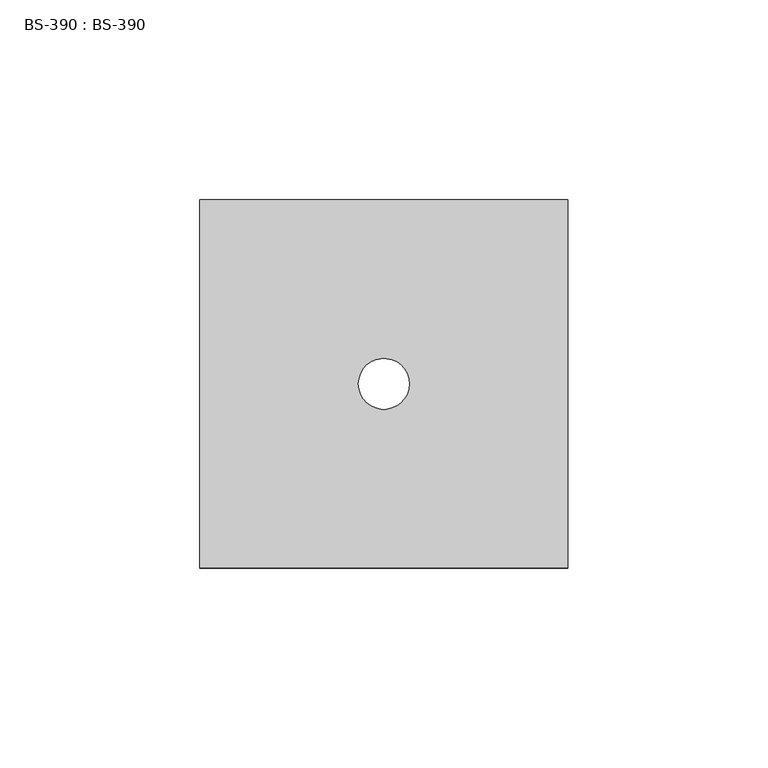
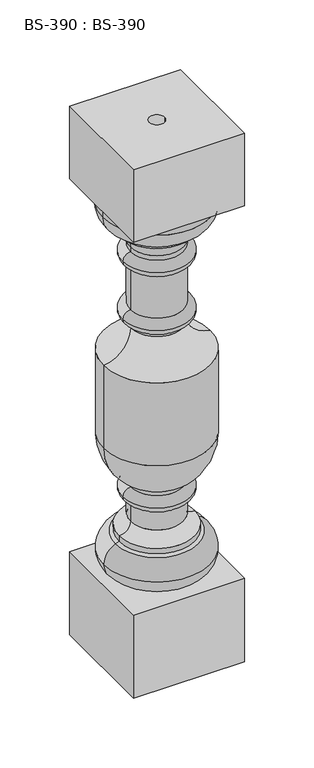
"""IFC4 building model written with IfcOpenShell, lengths in millimetres: proxy geometry, BS-390 : BS-390."""

from ifc_helpers import new_model, si_unit, point, frame, origin, place, context, project, spatial, polyline, circle_curve, ellipse_curve, trimmed, source, transform, mapped, element, save
from ifc_brep_helpers import plane_surface, cylinder_surface, revolved_surface, advanced_brep


def bs_390_bs_390_c6e430ef(model_context):
    return source(origin(), model_context, "Body", "AdvancedBrep", [
        advanced_brep(
        [(46.0375, -46.0375, 463.55), (46.0375, 46.0375, 463.55), (-46.0375, 46.0375, 463.55), (-46.0375, -46.0375, 463.55), (-6.35, 0.0, 463.55), (6.35, 0.0, 463.55), (46.0375, -46.0375, 400.05), (-46.0375, -46.0375, 400.05), (-46.0375, 46.0375, 400.05), (46.0375, 46.0375, 400.05), (45.0820387, 0.0, 400.05), (-45.0820387, 0.0, 400.05), (6.35, 0.0, 0.0), (-6.35, 0.0, 0.0), (-30.0007887, 0.0, 371.475), (30.0007887, 0.0, 371.475), (22.0632887, 0.0, 359.7017849), (-22.0632887, 0.0, 359.7017849), (-30.0007887, 0.0, 374.65), (30.0007887, 0.0, 374.65), (-45.0820387, 0.0, 393.7), (45.0820387, 0.0, 393.7), (-44.2882887, 0.0, 88.9), (44.2882887, 0.0, 88.9), (28.4132887, 0.0, 73.025), (-28.4132887, 0.0, 73.025), (-34.5190579, 0.0, 103.5538462), (34.5190579, 0.0, 103.5538462), (-31.5882887, 0.0, 104.775), (31.5882887, 0.0, 104.775), (-31.5882887, 0.0, 109.5444164), (31.5882887, 0.0, 109.5444164), (-22.0632887, 0.0, 119.0694164), (22.0632887, 0.0, 119.0694164), (-22.0632887, 0.0, 136.525), (22.0632887, 0.0, 136.525), (-28.4132887, 0.0, 142.875), (28.4132887, 0.0, 142.875), (-22.0632887, 0.0, 149.225), (22.0632887, 0.0, 149.225), (-22.0632887, 0.0, 152.4), (22.0632887, 0.0, 152.4), (-44.2882887, 0.0, 190.8948292), (44.2882887, 0.0, 190.8948292), (-44.2882887, 0.0, 263.525), (44.2882887, 0.0, 263.525), (-22.0632887, 0.0, 288.7257812), (22.0632887, 0.0, 288.7257812), (-22.0632887, 0.0, 292.1), (22.0632887, 0.0, 292.1), (-28.4132887, 0.0, 298.45), (28.4132887, 0.0, 298.45), (-22.0632887, 0.0, 304.8), (22.0632887, 0.0, 304.8), (-22.0632887, 0.0, 342.9), (22.0632887, 0.0, 342.9), (-28.4132887, 0.0, 349.25), (28.4132887, 0.0, 349.25), (-22.0632887, 0.0, 355.6), (22.0632887, 0.0, 355.6), (46.0375, -46.0375, 73.025), (46.0375, 46.0375, 73.025), (-46.0375, 46.0375, 73.025), (-46.0375, -46.0375, 73.025), (46.0375, -46.0375, 0.0), (-46.0375, -46.0375, 0.0), (-46.0375, 46.0375, 0.0), (46.0375, 46.0375, 0.0)],
        [
            (0, 1),
            (1, 2),
            (2, 3),
            (3, 0),
            (4, 5, circle_curve(frame((0.0, 0.0, 463.55), z_axis=(0.0, 0.0, -1.0), x_axis=(1.0, 0.0, 0.0)), 6.35)),
            (5, 4, circle_curve(frame((0.0, 0.0, 463.55), z_axis=(0.0, 0.0, -1.0), x_axis=(1.0, 0.0, 0.0)), 6.35)),
            (6, 7),
            (7, 8),
            (8, 9),
            (9, 6),
            (10, 11, circle_curve(frame((0.0, 0.0, 400.05), z_axis=(0.0, 0.0, 1.0), x_axis=(1.0, 0.0, 0.0)), 45.0820387)),
            (11, 10, circle_curve(frame((0.0, 0.0, 400.05), z_axis=(0.0, 0.0, 1.0), x_axis=(1.0, 0.0, 0.0)), 45.0820387)),
            (0, 6),
            (9, 1),
            (8, 2),
            (7, 3),
            (12, 5),
            (4, 13),
            (13, 12, circle_curve(frame((0.0, 0.0, 0.0), z_axis=(0.0, 0.0, -1.0), x_axis=(1.0, 0.0, 0.0)), 6.35)),
            (12, 13, circle_curve(frame((0.0, 0.0, 0.0), z_axis=(0.0, 0.0, -1.0), x_axis=(1.0, 0.0, 0.0)), 6.35)),
            (14, 15, circle_curve(frame((0.0, 0.0, 371.475), z_axis=(0.0, 0.0, -1.0), x_axis=(1.0, 0.0, 0.0)), 30.0007887)),
            (15, 16, circle_curve(frame((34.7632887, 0.0, 359.7017849), z_axis=(0.0, -1.0, 0.0), x_axis=(1.0, 0.0, 0.0)), 12.7)),
            (16, 17, circle_curve(frame((0.0, 0.0, 359.7017849), z_axis=(0.0, 0.0, 1.0), x_axis=(1.0, 0.0, 0.0)), 22.0632887)),
            (17, 14, circle_curve(frame((-34.7632887, 0.0, 359.7017849), z_axis=(0.0, -1.0, 0.0), x_axis=(-1.0, 0.0, 0.0)), 12.7)),
            (15, 14, circle_curve(frame((0.0, 0.0, 371.475), z_axis=(0.0, 0.0, -1.0), x_axis=(1.0, 0.0, 0.0)), 30.0007887)),
            (17, 16, circle_curve(frame((0.0, 0.0, 359.7017849), z_axis=(0.0, 0.0, 1.0), x_axis=(1.0, 0.0, 0.0)), 22.0632887)),
            (14, 18),
            (18, 19, circle_curve(frame((0.0, 0.0, 374.65), z_axis=(0.0, 0.0, -1.0), x_axis=(1.0, 0.0, 0.0)), 30.0007887)),
            (19, 15),
            (19, 18, circle_curve(frame((0.0, 0.0, 374.65), z_axis=(0.0, 0.0, -1.0), x_axis=(1.0, 0.0, 0.0)), 30.0007887)),
            (18, 20, circle_curve(frame((-25.5098347, 0.0, 393.7), z_axis=(0.0, 1.0, 0.0), x_axis=(-1.0, 0.0, 0.0)), 19.5722039)),
            (20, 21, circle_curve(frame((0.0, 0.0, 393.7), z_axis=(0.0, 0.0, -1.0), x_axis=(1.0, 0.0, 0.0)), 45.0820387)),
            (21, 19, circle_curve(frame((25.5098347, 0.0, 393.7), z_axis=(0.0, 1.0, 0.0), x_axis=(1.0, 0.0, 0.0)), 19.5722039)),
            (21, 20, circle_curve(frame((0.0, 0.0, 393.7), z_axis=(0.0, 0.0, -1.0), x_axis=(1.0, 0.0, 0.0)), 45.0820387)),
            (20, 11),
            (10, 21),
            (22, 23, circle_curve(frame((0.0, 0.0, 88.9), z_axis=(0.0, 0.0, -1.0), x_axis=(1.0, 0.0, 0.0)), 44.2882887)),
            (23, 24, circle_curve(frame((28.4132887, 0.0, 88.9), z_axis=(0.0, 1.0, 0.0), x_axis=(0.0, 0.0, -1.0)), 15.875)),
            (24, 25, circle_curve(frame((0.0, 0.0, 73.025), z_axis=(0.0, 0.0, 1.0), x_axis=(1.0, 0.0, 0.0)), 28.4132887)),
            (25, 22, circle_curve(frame((-28.4132887, 0.0, 88.9), z_axis=(0.0, 1.0, 0.0), x_axis=(0.0, 0.0, -1.0)), 15.875)),
            (23, 22, circle_curve(frame((0.0, 0.0, 88.9), z_axis=(0.0, 0.0, -1.0), x_axis=(1.0, 0.0, 0.0)), 44.2882887)),
            (25, 24, circle_curve(frame((0.0, 0.0, 73.025), z_axis=(0.0, 0.0, 1.0), x_axis=(1.0, 0.0, 0.0)), 28.4132887)),
            (22, 26, circle_curve(frame((-28.4132887, 0.0, 88.9), z_axis=(0.0, 1.0, 0.0), x_axis=(-1.0, 0.0, 0.0)), 15.875)),
            (26, 27, circle_curve(frame((0.0, 0.0, 103.5538462), z_axis=(0.0, 0.0, -1.0), x_axis=(1.0, 0.0, 0.0)), 34.5190579)),
            (27, 23, circle_curve(frame((28.4132887, 0.0, 88.9), z_axis=(0.0, 1.0, 0.0), x_axis=(1.0, 0.0, 0.0)), 15.875)),
            (27, 26, circle_curve(frame((0.0, 0.0, 103.5538462), z_axis=(0.0, 0.0, -1.0), x_axis=(1.0, 0.0, 0.0)), 34.5190579)),
            (26, 28),
            (28, 29, circle_curve(frame((0.0, 0.0, 104.775), z_axis=(0.0, 0.0, -1.0), x_axis=(1.0, 0.0, 0.0)), 31.5882887)),
            (29, 27),
            (29, 28, circle_curve(frame((0.0, 0.0, 104.775), z_axis=(0.0, 0.0, -1.0), x_axis=(1.0, 0.0, 0.0)), 31.5882887)),
            (28, 30),
            (30, 31, circle_curve(frame((0.0, 0.0, 109.5444164), z_axis=(0.0, 0.0, -1.0), x_axis=(1.0, 0.0, 0.0)), 31.5882887)),
            (31, 29),
            (31, 30, circle_curve(frame((0.0, 0.0, 109.5444164), z_axis=(0.0, 0.0, -1.0), x_axis=(1.0, 0.0, 0.0)), 31.5882887)),
            (30, 32, circle_curve(frame((-31.5882887, 0.0, 119.0694164), z_axis=(0.0, -1.0, 0.0), x_axis=(-1.0, 0.0, 0.0)), 9.525)),
            (32, 33, circle_curve(frame((0.0, 0.0, 119.0694164), z_axis=(0.0, 0.0, -1.0), x_axis=(1.0, 0.0, 0.0)), 22.0632887)),
            (33, 31, circle_curve(frame((31.5882887, 0.0, 119.0694164), z_axis=(0.0, -1.0, 0.0), x_axis=(1.0, 0.0, 0.0)), 9.525)),
            (33, 32, circle_curve(frame((0.0, 0.0, 119.0694164), z_axis=(0.0, 0.0, -1.0), x_axis=(1.0, 0.0, 0.0)), 22.0632887)),
            (32, 34),
            (34, 35, circle_curve(frame((0.0, 0.0, 136.525), z_axis=(0.0, 0.0, -1.0), x_axis=(1.0, 0.0, 0.0)), 22.0632887)),
            (35, 33),
            (35, 34, circle_curve(frame((0.0, 0.0, 136.525), z_axis=(0.0, 0.0, -1.0), x_axis=(1.0, 0.0, 0.0)), 22.0632887)),
            (34, 36, circle_curve(frame((-22.0632887, 0.0, 142.875), z_axis=(0.0, 1.0, 0.0), x_axis=(0.0, 0.0, -1.0)), 6.35)),
            (36, 37, circle_curve(frame((0.0, 0.0, 142.875), z_axis=(0.0, 0.0, -1.0), x_axis=(1.0, 0.0, 0.0)), 28.4132887)),
            (37, 35, circle_curve(frame((22.0632887, 0.0, 142.875), z_axis=(0.0, 1.0, 0.0), x_axis=(0.0, 0.0, -1.0)), 6.35)),
            (37, 36, circle_curve(frame((0.0, 0.0, 142.875), z_axis=(0.0, 0.0, -1.0), x_axis=(1.0, 0.0, 0.0)), 28.4132887)),
            (36, 38, circle_curve(frame((-22.0632887, 0.0, 142.875), z_axis=(0.0, 1.0, 0.0), x_axis=(-1.0, 0.0, 0.0)), 6.35)),
            (38, 39, circle_curve(frame((0.0, 0.0, 149.225), z_axis=(0.0, 0.0, -1.0), x_axis=(1.0, 0.0, 0.0)), 22.0632887)),
            (39, 37, circle_curve(frame((22.0632887, 0.0, 142.875), z_axis=(0.0, 1.0, 0.0), x_axis=(1.0, 0.0, 0.0)), 6.35)),
            (39, 38, circle_curve(frame((0.0, 0.0, 149.225), z_axis=(0.0, 0.0, -1.0), x_axis=(1.0, 0.0, 0.0)), 22.0632887)),
            (38, 40),
            (40, 41, circle_curve(frame((0.0, 0.0, 152.4), z_axis=(0.0, 0.0, -1.0), x_axis=(1.0, 0.0, 0.0)), 22.0632887)),
            (41, 39),
            (41, 40, circle_curve(frame((0.0, 0.0, 152.4), z_axis=(0.0, 0.0, -1.0), x_axis=(1.0, 0.0, 0.0)), 22.0632887)),
            (40, 42, circle_curve(frame((0.1617113, 0.0, 190.8948292), z_axis=(0.0, 1.0, 0.0), x_axis=(-1.0, 0.0, 0.0)), 44.45)),
            (42, 43, circle_curve(frame((0.0, 0.0, 190.8948292), z_axis=(0.0, 0.0, -1.0), x_axis=(1.0, 0.0, 0.0)), 44.2882887)),
            (43, 41, circle_curve(frame((-0.1617113, 0.0, 190.8948292), z_axis=(0.0, 1.0, 0.0), x_axis=(1.0, 0.0, 0.0)), 44.45)),
            (43, 42, circle_curve(frame((0.0, 0.0, 190.8948292), z_axis=(0.0, 0.0, -1.0), x_axis=(1.0, 0.0, 0.0)), 44.2882887)),
            (42, 44),
            (44, 45, circle_curve(frame((0.0, 0.0, 263.525), z_axis=(0.0, 0.0, -1.0), x_axis=(1.0, 0.0, 0.0)), 44.2882887)),
            (45, 43),
            (45, 44, circle_curve(frame((0.0, 0.0, 263.525), z_axis=(0.0, 0.0, -1.0), x_axis=(1.0, 0.0, 0.0)), 44.2882887)),
            (44, 46, circle_curve(frame((-47.4632887, 0.0, 288.7257812), z_axis=(0.0, -1.0, 0.0), x_axis=(1.0, 0.0, 0.0)), 25.4)),
            (46, 47, circle_curve(frame((0.0, 0.0, 288.7257812), z_axis=(0.0, 0.0, -1.0), x_axis=(1.0, 0.0, 0.0)), 22.0632887)),
            (47, 45, circle_curve(frame((47.4632887, 0.0, 288.7257812), z_axis=(0.0, -1.0, 0.0), x_axis=(-1.0, 0.0, 0.0)), 25.4)),
            (47, 46, circle_curve(frame((0.0, 0.0, 288.7257812), z_axis=(0.0, 0.0, -1.0), x_axis=(1.0, 0.0, 0.0)), 22.0632887)),
            (46, 48),
            (48, 49, circle_curve(frame((0.0, 0.0, 292.1), z_axis=(0.0, 0.0, -1.0), x_axis=(1.0, 0.0, 0.0)), 22.0632887)),
            (49, 47),
            (49, 48, circle_curve(frame((0.0, 0.0, 292.1), z_axis=(0.0, 0.0, -1.0), x_axis=(1.0, 0.0, 0.0)), 22.0632887)),
            (48, 50, circle_curve(frame((-22.0632887, 0.0, 298.45), z_axis=(0.0, 1.0, 0.0), x_axis=(0.0, 0.0, -1.0)), 6.35)),
            (50, 51, circle_curve(frame((0.0, 0.0, 298.45), z_axis=(0.0, 0.0, -1.0), x_axis=(1.0, 0.0, 0.0)), 28.4132887)),
            (51, 49, circle_curve(frame((22.0632887, 0.0, 298.45), z_axis=(0.0, 1.0, 0.0), x_axis=(0.0, 0.0, -1.0)), 6.35)),
            (51, 50, circle_curve(frame((0.0, 0.0, 298.45), z_axis=(0.0, 0.0, -1.0), x_axis=(1.0, 0.0, 0.0)), 28.4132887)),
            (50, 52, circle_curve(frame((-22.0632887, 0.0, 298.45), z_axis=(0.0, 1.0, 0.0), x_axis=(-1.0, 0.0, 0.0)), 6.35)),
            (52, 53, circle_curve(frame((0.0, 0.0, 304.8), z_axis=(0.0, 0.0, -1.0), x_axis=(1.0, 0.0, 0.0)), 22.0632887)),
            (53, 51, circle_curve(frame((22.0632887, 0.0, 298.45), z_axis=(0.0, 1.0, 0.0), x_axis=(1.0, 0.0, 0.0)), 6.35)),
            (53, 52, circle_curve(frame((0.0, 0.0, 304.8), z_axis=(0.0, 0.0, -1.0), x_axis=(1.0, 0.0, 0.0)), 22.0632887)),
            (52, 54),
            (54, 55, circle_curve(frame((0.0, 0.0, 342.9), z_axis=(0.0, 0.0, -1.0), x_axis=(1.0, 0.0, 0.0)), 22.0632887)),
            (55, 53),
            (55, 54, circle_curve(frame((0.0, 0.0, 342.9), z_axis=(0.0, 0.0, -1.0), x_axis=(1.0, 0.0, 0.0)), 22.0632887)),
            (54, 56, circle_curve(frame((-22.0632887, 0.0, 349.25), z_axis=(0.0, 1.0, 0.0), x_axis=(0.0, 0.0, -1.0)), 6.35)),
            (56, 57, circle_curve(frame((0.0, 0.0, 349.25), z_axis=(0.0, 0.0, -1.0), x_axis=(1.0, 0.0, 0.0)), 28.4132887)),
            (57, 55, circle_curve(frame((22.0632887, 0.0, 349.25), z_axis=(0.0, 1.0, 0.0), x_axis=(0.0, 0.0, -1.0)), 6.35)),
            (57, 56, circle_curve(frame((0.0, 0.0, 349.25), z_axis=(0.0, 0.0, -1.0), x_axis=(1.0, 0.0, 0.0)), 28.4132887)),
            (56, 58, circle_curve(frame((-22.0632887, 0.0, 349.25), z_axis=(0.0, 1.0, 0.0), x_axis=(-1.0, 0.0, 0.0)), 6.35)),
            (58, 59, circle_curve(frame((0.0, 0.0, 355.6), z_axis=(0.0, 0.0, -1.0), x_axis=(1.0, 0.0, 0.0)), 22.0632887)),
            (59, 57, circle_curve(frame((22.0632887, 0.0, 349.25), z_axis=(0.0, 1.0, 0.0), x_axis=(1.0, 0.0, 0.0)), 6.35)),
            (59, 58, circle_curve(frame((0.0, 0.0, 355.6), z_axis=(0.0, 0.0, -1.0), x_axis=(1.0, 0.0, 0.0)), 22.0632887)),
            (16, 59),
            (58, 17),
            (60, 61),
            (61, 62),
            (62, 63),
            (63, 60),
            (64, 65),
            (65, 66),
            (66, 67),
            (67, 64),
            (60, 64),
            (67, 61),
            (66, 62),
            (65, 63),
        ],
        [
            plane_surface(frame((46.0375, -98.9522207, 463.55), z_axis=(0.0, 0.0, 1.0), x_axis=(0.0, 1.0, 0.0))),
            plane_surface(frame((46.0375, -98.9522207, 400.05), z_axis=(0.0, 0.0, -1.0), x_axis=(0.0, -1.0, 0.0))),
            plane_surface(frame((46.0375, -46.0375, 463.55), z_axis=(1.0, 0.0, 0.0), x_axis=(0.0, 0.0, -1.0))),
            plane_surface(frame((46.0375, 46.0375, 463.55), z_axis=(0.0, 1.0, 0.0), x_axis=(0.0, 0.0, -1.0))),
            plane_surface(frame((-46.0375, 46.0375, 463.55), z_axis=(-1.0, 0.0, 0.0), x_axis=(0.0, 0.0, -1.0))),
            plane_surface(frame((-46.0375, -46.0375, 463.55), z_axis=(0.0, -1.0, 0.0), x_axis=(0.0, 0.0, -1.0))),
            revolved_surface(polyline([(6.35, 0.0, 0.0), (6.35, 0.0, 463.55)]), (0.0, 0.0, 463.55), (0.0, 0.0, -1.0)),
            revolved_surface(trimmed(ellipse_curve(frame((34.7632887, 0.0, 359.7017849), z_axis=(0.0, 1.0, 0.0), x_axis=(1.0, 0.0, 0.0)), 12.7, 12.7), [point((22.0632887, 0.0, 359.7017849))], [point((30.0007887, 0.0, 371.475))], True, "CARTESIAN"), (0.0, 0.0, 73.025), (0.0, 0.0, 1.0)),
            cylinder_surface(frame((0.0, 0.0, 73.025), z_axis=(0.0, 0.0, 1.0), x_axis=(1.0, 0.0, 0.0)), 30.0007887),
            revolved_surface(trimmed(ellipse_curve(frame((25.5098347, 0.0, 393.7), z_axis=(0.0, -1.0, 0.0), x_axis=(1.0, 0.0, 0.0)), 19.5722039, 19.5722039), [point((30.0007887, 0.0, 374.65))], [point((45.0820387, 0.0, 393.7))], True, "CARTESIAN"), (0.0, 0.0, 73.025), (0.0, 0.0, 1.0)),
            cylinder_surface(frame((0.0, 0.0, 73.025), z_axis=(0.0, 0.0, 1.0), x_axis=(1.0, 0.0, 0.0)), 45.0820387),
            revolved_surface(trimmed(ellipse_curve(frame((28.4132887, 0.0, 88.9), z_axis=(0.0, -1.0, 0.0), x_axis=(0.0, 0.0, -1.0)), 15.875, 15.875), [point((28.4132887, 0.0, 73.025))], [point((44.2882887, 0.0, 88.9))], True, "CARTESIAN"), (0.0, 0.0, 73.025), (0.0, 0.0, 1.0)),
            revolved_surface(trimmed(ellipse_curve(frame((28.4132887, 0.0, 88.9), z_axis=(0.0, -1.0, 0.0), x_axis=(1.0, 0.0, 0.0)), 15.875, 15.875), [point((44.2882887, 0.0, 88.9))], [point((34.5190579, 0.0, 103.5538462))], True, "CARTESIAN"), (0.0, 0.0, 73.025), (0.0, 0.0, 1.0)),
            revolved_surface(polyline([(34.5190579, 0.0, 103.5538462), (31.5882887, 0.0, 104.775)]), (0.0, 0.0, 73.025), (0.0, 0.0, 1.0)),
            cylinder_surface(frame((0.0, 0.0, 73.025), z_axis=(0.0, 0.0, 1.0), x_axis=(1.0, 0.0, 0.0)), 31.5882887),
            revolved_surface(trimmed(ellipse_curve(frame((31.5882887, 0.0, 119.0694164), z_axis=(0.0, 1.0, 0.0), x_axis=(1.0, 0.0, 0.0)), 9.525, 9.525), [point((31.5882887, 0.0, 109.5444164))], [point((22.0632887, 0.0, 119.0694164))], True, "CARTESIAN"), (0.0, 0.0, 73.025), (0.0, 0.0, 1.0)),
            cylinder_surface(frame((0.0, 0.0, 73.025), z_axis=(0.0, 0.0, 1.0), x_axis=(1.0, 0.0, 0.0)), 22.0632887),
            revolved_surface(trimmed(ellipse_curve(frame((22.0632887, 0.0, 142.875), z_axis=(0.0, -1.0, 0.0), x_axis=(0.0, 0.0, -1.0)), 6.35, 6.35), [point((22.0632887, 0.0, 136.525))], [point((28.4132887, 0.0, 142.875))], True, "CARTESIAN"), (0.0, 0.0, 73.025), (0.0, 0.0, 1.0)),
            revolved_surface(trimmed(ellipse_curve(frame((22.0632887, 0.0, 142.875), z_axis=(0.0, -1.0, 0.0), x_axis=(1.0, 0.0, 0.0)), 6.35, 6.35), [point((28.4132887, 0.0, 142.875))], [point((22.0632887, 0.0, 149.225))], True, "CARTESIAN"), (0.0, 0.0, 73.025), (0.0, 0.0, 1.0)),
            revolved_surface(trimmed(ellipse_curve(frame((-0.1617113, 0.0, 190.8948292), z_axis=(0.0, -1.0, 0.0), x_axis=(1.0, 0.0, 0.0)), 44.45, 44.45), [point((22.0632887, 0.0, 152.4))], [point((44.2882887, 0.0, 190.8948292))], True, "CARTESIAN"), (0.0, 0.0, 73.025), (0.0, 0.0, 1.0)),
            cylinder_surface(frame((0.0, 0.0, 73.025), z_axis=(0.0, 0.0, 1.0), x_axis=(1.0, 0.0, 0.0)), 44.2882887),
            revolved_surface(trimmed(ellipse_curve(frame((47.4632887, 0.0, 288.7257812), z_axis=(0.0, 1.0, 0.0), x_axis=(-1.0, 0.0, 0.0)), 25.4, 25.4), [point((44.2882887, 0.0, 263.525))], [point((22.0632887, 0.0, 288.7257812))], True, "CARTESIAN"), (0.0, 0.0, 73.025), (0.0, 0.0, 1.0)),
            revolved_surface(trimmed(ellipse_curve(frame((22.0632887, 0.0, 298.45), z_axis=(0.0, -1.0, 0.0), x_axis=(0.0, 0.0, -1.0)), 6.35, 6.35), [point((22.0632887, 0.0, 292.1))], [point((28.4132887, 0.0, 298.45))], True, "CARTESIAN"), (0.0, 0.0, 73.025), (0.0, 0.0, 1.0)),
            revolved_surface(trimmed(ellipse_curve(frame((22.0632887, 0.0, 298.45), z_axis=(0.0, -1.0, 0.0), x_axis=(1.0, 0.0, 0.0)), 6.35, 6.35), [point((28.4132887, 0.0, 298.45))], [point((22.0632887, 0.0, 304.8))], True, "CARTESIAN"), (0.0, 0.0, 73.025), (0.0, 0.0, 1.0)),
            revolved_surface(trimmed(ellipse_curve(frame((22.0632887, 0.0, 349.25), z_axis=(0.0, -1.0, 0.0), x_axis=(0.0, 0.0, -1.0)), 6.35, 6.35), [point((22.0632887, 0.0, 342.9))], [point((28.4132887, 0.0, 349.25))], True, "CARTESIAN"), (0.0, 0.0, 73.025), (0.0, 0.0, 1.0)),
            revolved_surface(trimmed(ellipse_curve(frame((22.0632887, 0.0, 349.25), z_axis=(0.0, -1.0, 0.0), x_axis=(1.0, 0.0, 0.0)), 6.35, 6.35), [point((28.4132887, 0.0, 349.25))], [point((22.0632887, 0.0, 355.6))], True, "CARTESIAN"), (0.0, 0.0, 73.025), (0.0, 0.0, 1.0)),
            plane_surface(frame((46.0375, -46.0375, 73.025), z_axis=(0.0, 0.0, 1.0), x_axis=(0.0, 1.0, 0.0))),
            plane_surface(frame((46.0375, -46.0375, 0.0), z_axis=(0.0, 0.0, -1.0), x_axis=(0.0, -1.0, 0.0))),
            plane_surface(frame((46.0375, -46.0375, 73.025), z_axis=(1.0, 0.0, 0.0), x_axis=(0.0, 0.0, -1.0))),
            plane_surface(frame((46.0375, 46.0375, 73.025), z_axis=(0.0, 1.0, 0.0), x_axis=(0.0, 0.0, -1.0))),
            plane_surface(frame((-46.0375, 46.0375, 73.025), z_axis=(-1.0, 0.0, 0.0), x_axis=(0.0, 0.0, -1.0))),
            plane_surface(frame((-46.0375, -46.0375, 73.025), z_axis=(0.0, -1.0, 0.0), x_axis=(0.0, 0.0, -1.0))),
        ],
        [
            (0, [[1, 2, 3, 4], [5, 6]]),
            (1, [[7, 8, 9, 10], [11, 12]]),
            (2, [[-1, 13, -10, 14]]),
            (3, [[-2, -14, -9, 15]]),
            (4, [[-3, -15, -8, 16]]),
            (5, [[-4, -16, -7, -13]]),
            (6, [[17, -5, 18, 19]]),
            (6, [[-17, 20, -18, -6]]),
            (7, [[21, 22, 23, 24]]),
            (7, [[-22, 25, -24, 26]]),
            (8, [[-21, 27, 28, 29]]),
            (8, [[-25, -29, 30, -27]]),
            (9, [[-28, 31, 32, 33]]),
            (9, [[-30, -33, 34, -31]]),
            (10, [[-32, 35, -11, 36]]),
            (10, [[-34, -36, -12, -35]]),
            (11, [[37, 38, 39, 40]]),
            (11, [[-38, 41, -40, 42]]),
            (12, [[-37, 43, 44, 45]]),
            (12, [[-41, -45, 46, -43]]),
            (13, [[-44, 47, 48, 49]]),
            (13, [[-46, -49, 50, -47]]),
            (14, [[-48, 51, 52, 53]]),
            (14, [[-50, -53, 54, -51]]),
            (15, [[-52, 55, 56, 57]]),
            (15, [[-54, -57, 58, -55]]),
            (16, [[-56, 59, 60, 61]]),
            (16, [[-58, -61, 62, -59]]),
            (17, [[-60, 63, 64, 65]]),
            (17, [[-62, -65, 66, -63]]),
            (18, [[-64, 67, 68, 69]]),
            (18, [[-66, -69, 70, -67]]),
            (16, [[-68, 71, 72, 73]]),
            (16, [[-70, -73, 74, -71]]),
            (19, [[-72, 75, 76, 77]]),
            (19, [[-74, -77, 78, -75]]),
            (20, [[-76, 79, 80, 81]]),
            (20, [[-78, -81, 82, -79]]),
            (21, [[-80, 83, 84, 85]]),
            (21, [[-82, -85, 86, -83]]),
            (16, [[-84, 87, 88, 89]]),
            (16, [[-86, -89, 90, -87]]),
            (22, [[-88, 91, 92, 93]]),
            (22, [[-90, -93, 94, -91]]),
            (23, [[-92, 95, 96, 97]]),
            (23, [[-94, -97, 98, -95]]),
            (16, [[-96, 99, 100, 101]]),
            (16, [[-98, -101, 102, -99]]),
            (24, [[-100, 103, 104, 105]]),
            (24, [[-102, -105, 106, -103]]),
            (25, [[-104, 107, 108, 109]]),
            (25, [[-106, -109, 110, -107]]),
            (16, [[-23, 111, -108, 112]]),
            (16, [[-26, -112, -110, -111]]),
            (26, [[113, 114, 115, 116], [-39, -42]]),
            (27, [[117, 118, 119, 120], [-19, -20]]),
            (28, [[-113, 121, -120, 122]]),
            (29, [[-114, -122, -119, 123]]),
            (30, [[-115, -123, -118, 124]]),
            (31, [[-116, -124, -117, -121]]),
        ],
    ),
    ])


if __name__ == "__main__":
    model = new_model("IFC4")
    model_context = context("Model", 3, world=origin())
    ifc_project = project(units=[si_unit("LENGTHUNIT", "METRE", prefix="MILLI")], contexts=[model_context])
    site = spatial("IfcSite", under=ifc_project)
    building = spatial("IfcBuilding", under=site)
    placement = place(None, origin())
    bs_390_bs_390_shape = bs_390_bs_390_c6e430ef(model_context)
    element("IfcBuildingElementProxy", 1, Name="BS-390 : BS-390", ObjectType="BS-390 : BS-390", at=placement, inside=building, context=model_context, shape_type="MappedRepresentation", body=[
        mapped(bs_390_bs_390_shape, transform((0.0, 0.0, 0.0), x_axis=(1.0, 0.0, 0.0), y_axis=(0.0, 1.0, 0.0), z_axis=(0.0, 0.0, 1.0))),
    ])
    save(model, "model.ifc")
